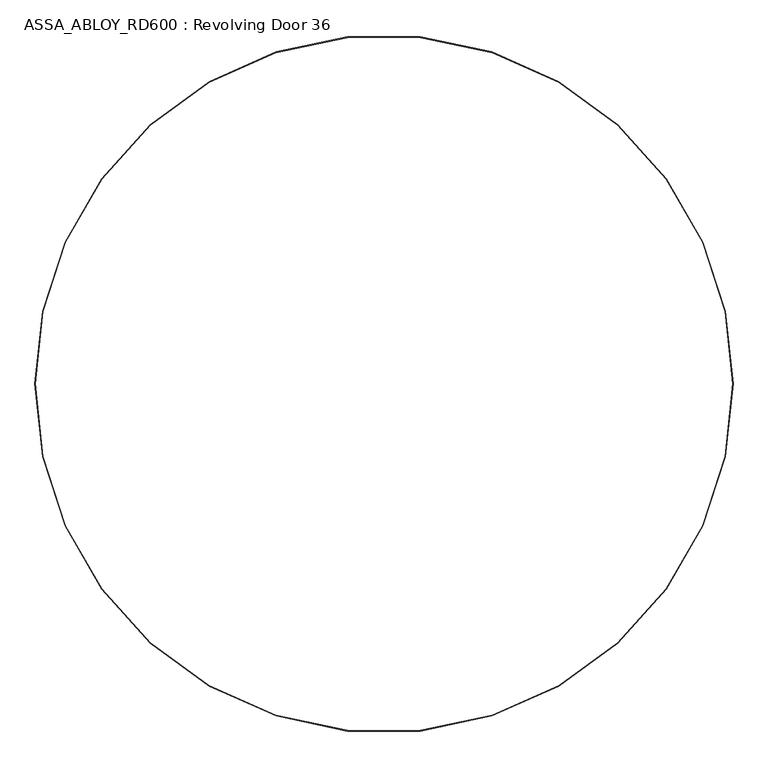
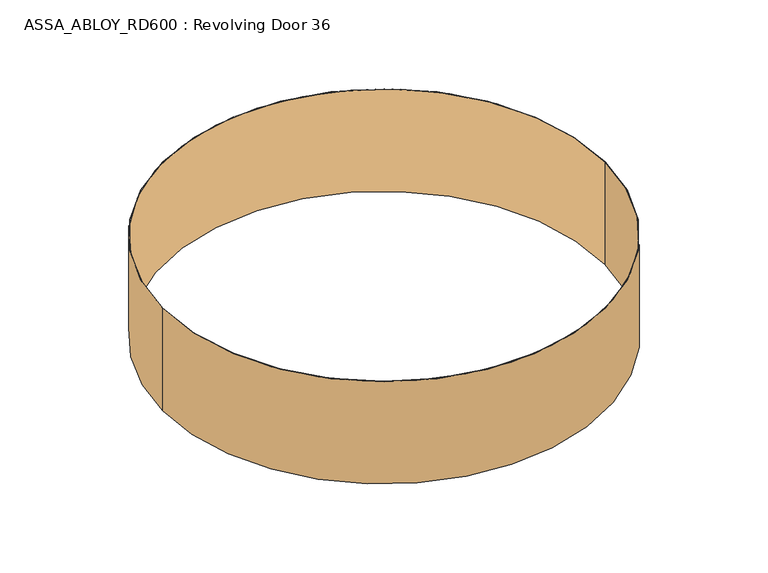
"""IFC4 building model written with IfcOpenShell, lengths in millimetres: door geometry, ASSA_ABLOY_RD600 : Revolving Door 36."""

from ifc_helpers import new_model, si_unit, point, frame, origin, origin_2d, place, context, project, spatial, circle_curve, trimmed, segment, composite_curve, outline, extrude, source, transform, mapped, element, save


def assa_abloy_rd600_revolving_door_36_6df243c6(model_context):
    return source(origin(), model_context, "Body", "SweptSolid", [
        extrude(outline(composite_curve([segment(trimmed(circle_curve(origin_2d(), 1841.0), [point((-1841.0, 0.0))], [point((1841.0, 0.0))], False, "CARTESIAN"), True, "CONTINUOUS"), segment(trimmed(circle_curve(origin_2d(), 1841.0), [point((1841.0, 0.0))], [point((-1841.0, 0.0))], False, "CARTESIAN"), True, "CONTINUOUS")], self_intersect=False), holes=[composite_curve([segment(trimmed(circle_curve(origin_2d(), 1837.0), [point((-1837.0, 0.0))], [point((1837.0, 0.0))], True, "CARTESIAN"), True, "CONTINUOUS"), segment(trimmed(circle_curve(origin_2d(), 1837.0), [point((1837.0, 0.0))], [point((-1837.0, 0.0))], True, "CARTESIAN"), True, "CONTINUOUS")], self_intersect=False)]), frame((0.0, 0.0, 2600.0), z_axis=(0.0, 0.0, 1.0), x_axis=(1.0, 0.0, 0.0)), (0.0, 0.0, 1.0), 900.0),
    ])


if __name__ == "__main__":
    model = new_model("IFC4")
    model_context = context("Model", 3, world=origin())
    ifc_project = project(units=[si_unit("LENGTHUNIT", "METRE", prefix="MILLI")], contexts=[model_context])
    site = spatial("IfcSite", under=ifc_project)
    building = spatial("IfcBuilding", under=site)
    placement = place(None, origin())
    assa_abloy_rd600_revolving_door_36_shape = assa_abloy_rd600_revolving_door_36_6df243c6(model_context)
    element("IfcDoor", 1, ObjectType="ASSA_ABLOY_RD600 : Revolving Door 36", at=placement, inside=building, context=model_context, shape_type="MappedRepresentation", body=[
        mapped(assa_abloy_rd600_revolving_door_36_shape, transform((0.0, 0.0, 0.0), x_axis=(1.0, 0.0, 0.0), y_axis=(0.0, 1.0, 0.0), z_axis=(0.0, 0.0, 1.0))),
    ])
    save(model, "model.ifc")
